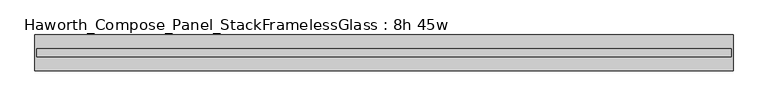
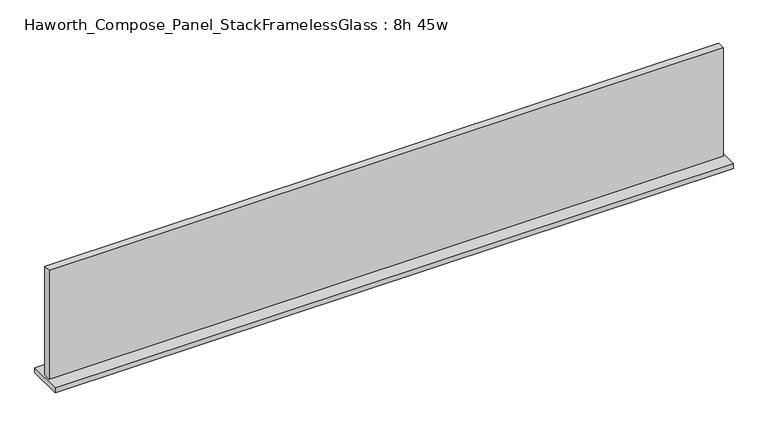
"""IFC4 building model written with IfcOpenShell, lengths in millimetres: furniture geometry, Haworth_Compose_Panel_StackFramelessGlass : 8h 45w."""

from ifc_helpers import new_model, si_unit, frame, origin, place, context, project, spatial, polyline, outline, extrude, source, transform, mapped, element, save


def haworth_compose_panel_stackframelessglass_8h_45w_15107f57(model_context):
    return source(origin(), model_context, "Body", "SweptSolid", [
        extrude(outline(polyline([(570.7652902, -27.3093594), (-565.8847098, -27.3093594), (-565.8847098, -14.6093594), (570.7652902, -14.6093594), (570.7652902, -27.3093594)])), frame((0.0, 0.0, 1279.525), z_axis=(0.0, 0.0, 1.0), x_axis=(1.0, 0.0, 0.0)), (0.0, 0.0, 1.0), 193.675),
        extrude(outline(polyline([(-569.0597098, -50.3281094), (-569.0597098, 8.4093906), (573.9402902, 8.4093906), (573.9402902, -50.3281094), (-569.0597098, -50.3281094)])), frame((0.0, 0.0, 1270.0), z_axis=(0.0, 0.0, 1.0), x_axis=(1.0, 0.0, 0.0)), (0.0, 0.0, 1.0), 9.525),
    ])


if __name__ == "__main__":
    model = new_model("IFC4")
    model_context = context("Model", 3, world=origin())
    ifc_project = project(units=[si_unit("LENGTHUNIT", "METRE", prefix="MILLI")], contexts=[model_context])
    site = spatial("IfcSite", under=ifc_project)
    building = spatial("IfcBuilding", under=site)
    placement = place(None, origin())
    haworth_compose_panel_stackframelessglass_8h_45w_shape = haworth_compose_panel_stackframelessglass_8h_45w_15107f57(model_context)
    element("IfcFurniture", 1, ObjectType="Haworth_Compose_Panel_StackFramelessGlass : 8h 45w", at=placement, inside=building, context=model_context, shape_type="MappedRepresentation", body=[
        mapped(haworth_compose_panel_stackframelessglass_8h_45w_shape, transform((0.0, 0.0, 0.0), x_axis=(1.0, 0.0, 0.0), y_axis=(0.0, 1.0, 0.0), z_axis=(0.0, 0.0, 1.0))),
    ])
    save(model, "model.ifc")
